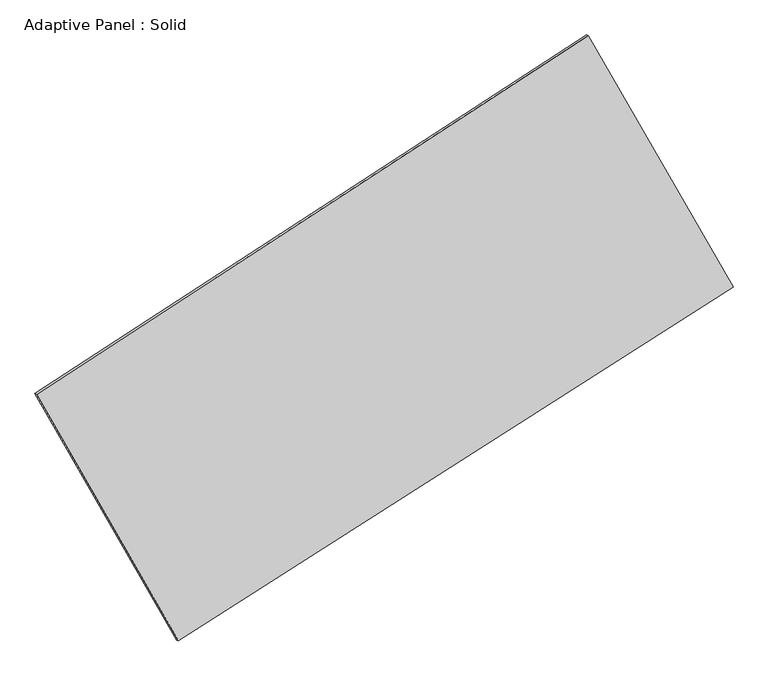
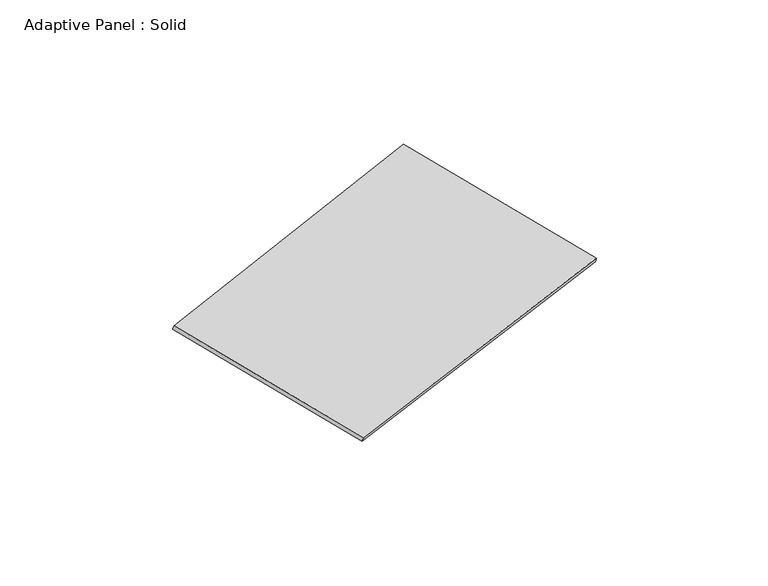
"""IFC4 building model written with IfcOpenShell, lengths in millimetres: plate geometry, Adaptive Panel : Solid."""

from ifc_helpers import new_model, si_unit, frame, origin, place, context, project, spatial, polyline, outline, extrude, source, transform, mapped, element, save


def adaptive_panel_solid_55f83856(model_context):
    return source(origin(), model_context, "Body", "SweptSolid", [
        extrude(outline(polyline([(-1320.7488272, 2941.1872215), (1320.7488273, 2941.1872215), (1295.5566177, -2941.1872215), (-1295.5566177, -2941.1872215), (-1320.7488272, 2941.1872215)])), frame((-650.8226445, -100.0621432, 871.2806301), z_axis=(0.2933271166111753, -0.12760186928687062, 0.9474581603506671), x_axis=(0.4810793555394237, -0.8367277968100874, -0.2616280713515088)), (0.0, 0.0, 1.0), 50.0),
    ])


if __name__ == "__main__":
    model = new_model("IFC4")
    model_context = context("Model", 3, world=origin())
    ifc_project = project(units=[si_unit("LENGTHUNIT", "METRE", prefix="MILLI")], contexts=[model_context])
    site = spatial("IfcSite", under=ifc_project)
    building = spatial("IfcBuilding", under=site)
    placement = place(None, origin())
    adaptive_panel_solid_shape = adaptive_panel_solid_55f83856(model_context)
    element("IfcPlate", 1, ObjectType="Adaptive Panel : Solid", at=placement, inside=building, context=model_context, shape_type="MappedRepresentation", body=[
        mapped(adaptive_panel_solid_shape, transform((0.0, 0.0, 0.0), x_axis=(1.0, 0.0, 0.0), y_axis=(0.0, 1.0, 0.0), z_axis=(0.0, 0.0, 1.0))),
    ])
    save(model, "model.ifc")
